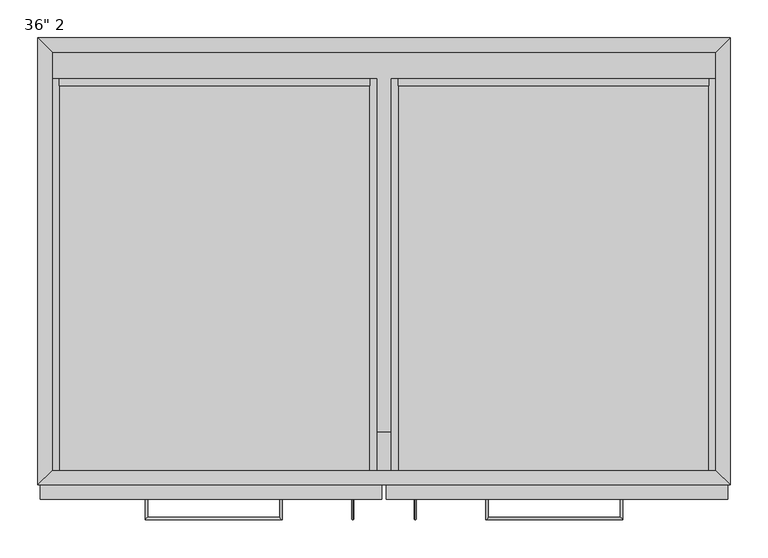
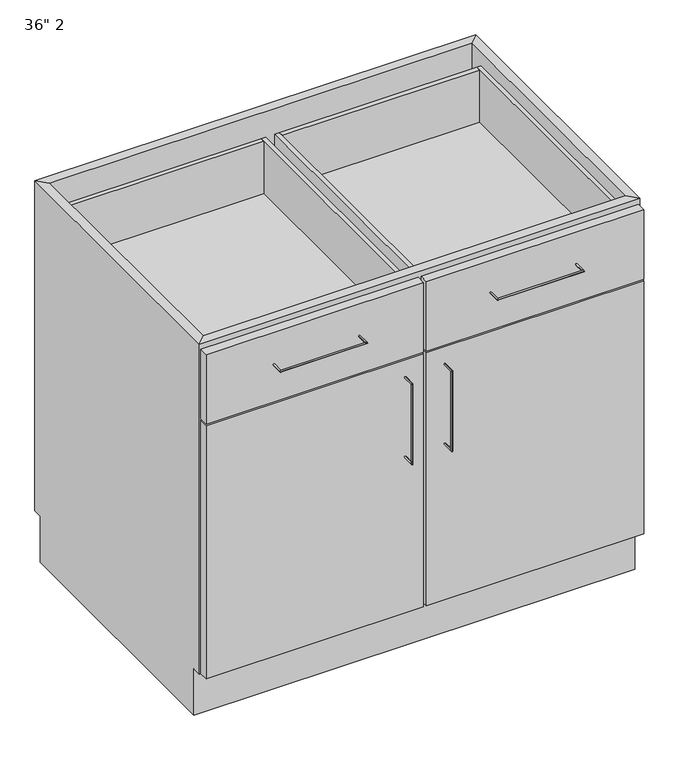
"""IFC4 building model written with IfcOpenShell, lengths in millimetres: furniture geometry."""

import ifcopenshell
import ifcopenshell.guid

model = None  # the IFC model being written
_history = None  # IfcOwnerHistory: only IFC2X3 demands one
_inside = {}  # id of a spatial element -> (the spatial element, [elements in it])
_under = {}  # id of a project, library or spatial element -> (it, [spatial elements below it])
_declared = {}  # id of a project -> (the project, [libraries it declares])
_typed = {}  # id of a type object -> (the type object, [elements of that type])
_made_of = {}  # id of a material, layer set ... -> (it, [elements and type objects made of it])


def new_model(schema):
    """Start an empty IFC model of exactly this schema.

    Asked for "IFC4X3", IfcOpenShell would pick the latest addendum, in which some entities
    have other attributes; the version numbers below select the first issue.
    IFC2X3 requires an IfcOwnerHistory on every rooted entity: one is made here for all.
    """
    global model, _history
    if schema == "IFC4X3":
        model = ifcopenshell.file(schema_version=(4, 3, 0, 0))
    else:
        model = ifcopenshell.file(schema=schema)
    _inside.clear()
    _under.clear()
    _declared.clear()
    _typed.clear()
    _made_of.clear()
    _history = None
    if model.schema == "IFC2X3":
        org = make("IfcOrganization", Name="unknown")
        user = make(
            "IfcPersonAndOrganization",
            ThePerson=make("IfcPerson", FamilyName="unknown"),
            TheOrganization=org,
        )
        app = make(
            "IfcApplication",
            ApplicationDeveloper=org,
            Version="unknown",
            ApplicationFullName="unknown",
            ApplicationIdentifier="unknown",
        )
        _history = make(
            "IfcOwnerHistory",
            OwningUser=user,
            OwningApplication=app,
            ChangeAction="ADDED",
            CreationDate=0,
        )
    return model


def make(cls, **values):
    """One entity of the class cls with the attributes given. An attribute that is None is left unset."""
    return model.create_entity(
        cls, **{name: value for name, value in values.items() if value is not None}
    )


def rooted(cls, **values):
    """An entity with a GlobalId (a new one), such as an element, a storey or a relation."""
    return make(cls, GlobalId=ifcopenshell.guid.new(), OwnerHistory=_history, **values)


def si_unit(unit_type, name, prefix=None):
    """IfcSIUnit, for example si_unit("LENGTHUNIT", "METRE", prefix="MILLI")."""
    return make("IfcSIUnit", UnitType=unit_type, Prefix=prefix, Name=name)


def assignment(units):
    """IfcUnitAssignment: the units of a project."""
    return None if units is None else make("IfcUnitAssignment", Units=units)


def point(xyz):
    """IfcCartesianPoint."""
    return None if xyz is None else make("IfcCartesianPoint", Coordinates=xyz)


def direction(xyz):
    """IfcDirection."""
    return None if xyz is None else make("IfcDirection", DirectionRatios=xyz)


def frame(location, z_axis=None, x_axis=None):
    """IfcAxis2Placement3D, a coordinate frame: its origin and axes. An axis left out is left unset."""
    return make(
        "IfcAxis2Placement3D",
        Location=point(location),
        Axis=direction(z_axis),
        RefDirection=direction(x_axis),
    )


def origin():
    """The frame at (0, 0, 0) with its axes left unset."""
    return frame((0.0, 0.0, 0.0))


def place(relative_to, where):
    """IfcLocalPlacement: puts the frame where relative to a parent placement (None: the world)."""
    return make(
        "IfcLocalPlacement", PlacementRelTo=relative_to, RelativePlacement=where
    )


def context(
    kind, dimensions, precision=None, world=None, true_north=None, identifier=None
):
    """IfcGeometricRepresentationContext, for example the 3D "Model" context."""
    return make(
        "IfcGeometricRepresentationContext",
        ContextIdentifier=identifier,
        ContextType=kind,
        CoordinateSpaceDimension=dimensions,
        Precision=precision,
        WorldCoordinateSystem=world,
        TrueNorth=true_north,
    )


def project(units=None, contexts=None):
    """IfcProject with its units and contexts."""
    return rooted(
        "IfcProject",
        Name="project",
        RepresentationContexts=contexts,
        UnitsInContext=assignment(units),
    )


def spatial(cls, under=None, at=None, **own):
    """A site, building, storey or space (cls), placed at a placement, below another one or the project."""
    s = rooted(cls, ObjectPlacement=at, **own)
    if under is not None:
        _under.setdefault(under.id(), (under, []))[1].append(s)
    return s


def polyline(points):
    """IfcPolyline through the points."""
    return make("IfcPolyline", Points=[point(p) for p in points])


def circle_curve(where, radius):
    """IfcCircle in the frame where."""
    return make("IfcCircle", Position=where, Radius=radius)


def ellipse_curve(where, semi_axis1, semi_axis2):
    """IfcEllipse in the frame where."""
    return make(
        "IfcEllipse", Position=where, SemiAxis1=semi_axis1, SemiAxis2=semi_axis2
    )


def outline(outer, holes=None, kind="AREA"):
    """IfcArbitraryClosedProfileDef: a profile drawn as a closed curve; with holes, ...WithVoids."""
    if holes is None:
        return make("IfcArbitraryClosedProfileDef", ProfileType=kind, OuterCurve=outer)
    return make(
        "IfcArbitraryProfileDefWithVoids",
        ProfileType=kind,
        OuterCurve=outer,
        InnerCurves=holes,
    )


def extrude(swept, where, along, depth):
    """IfcExtrudedAreaSolid: the profile swept, set in the frame where, extruded along a direction by depth."""
    return make(
        "IfcExtrudedAreaSolid",
        SweptArea=swept,
        Position=where,
        ExtrudedDirection=direction(along),
        Depth=depth,
    )


def faces_of(points, faces, orient=None, outer=None):
    """IfcFace entities. A face is a list of loops; a loop is a list of indices into points, from 0.

    orient and outer hold one flag for each loop. By default every Orientation is true, the
    first loop of a face is its IfcFaceOuterBound and the others are IfcFaceBound.
    """
    made = []
    for i, loops in enumerate(faces):
        bounds = []
        for j, loop in enumerate(loops):
            is_outer = j == 0 if outer is None else outer[i][j]
            bounds.append(
                make(
                    "IfcFaceOuterBound" if is_outer else "IfcFaceBound",
                    Bound=make("IfcPolyLoop", Polygon=[points[k] for k in loop]),
                    Orientation=True if orient is None else orient[i][j],
                )
            )
        made.append(make("IfcFace", Bounds=bounds))
    return made


def faceted_brep(points, faces, orient=None, outer=None, voids=None):
    """IfcFacetedBrep: a solid bounded by flat faces; with voids (closed shells), ...WithVoids."""
    shared = [point(p) for p in points]
    hull = make("IfcClosedShell", CfsFaces=faces_of(shared, faces, orient, outer))
    if voids is None:
        return make("IfcFacetedBrep", Outer=hull)
    return make(
        "IfcFacetedBrepWithVoids",
        Outer=hull,
        Voids=[
            make(cls, CfsFaces=faces_of(shared, fs, o, b)) for cls, fs, o, b in voids
        ],
    )


def shape(context_of_items, identifier, shape_type, items):
    """IfcShapeRepresentation: the items that make up one representation, for example the "Body"."""
    return make(
        "IfcShapeRepresentation",
        ContextOfItems=context_of_items,
        RepresentationIdentifier=identifier,
        RepresentationType=shape_type,
        Items=items,
    )


def source(mapping_origin, context_of_items, identifier, shape_type, items):
    """IfcRepresentationMap: a shape defined once, which mapped items show again and again."""
    return make(
        "IfcRepresentationMap",
        MappingOrigin=mapping_origin,
        MappedRepresentation=shape(context_of_items, identifier, shape_type, items),
    )


def transform(
    local_origin,
    x_axis=None,
    y_axis=None,
    z_axis=None,
    scale=None,
    scale2=None,
    scale3=None,
    uniform=True,
):
    """IfcCartesianTransformationOperator3D, or its non-uniform kind. x_axis, y_axis, z_axis: its Axis1, 2, 3."""
    if uniform:
        return make(
            "IfcCartesianTransformationOperator3D",
            Axis1=direction(x_axis),
            Axis2=direction(y_axis),
            LocalOrigin=point(local_origin),
            Scale=scale,
            Axis3=direction(z_axis),
        )
    return make(
        "IfcCartesianTransformationOperator3DnonUniform",
        Axis1=direction(x_axis),
        Axis2=direction(y_axis),
        LocalOrigin=point(local_origin),
        Scale=scale,
        Axis3=direction(z_axis),
        Scale2=scale2,
        Scale3=scale3,
    )


def mapped(mapping_source, mapping_target):
    """IfcMappedItem: shows the shape of a source again, moved by a transform."""
    return make(
        "IfcMappedItem", MappingSource=mapping_source, MappingTarget=mapping_target
    )


def made_of(thing, what):
    """Note that an element or type object is made of a material, layer set ...; save() writes the relation."""
    if what is not None:
        _made_of.setdefault(what.id(), (what, []))[1].append(thing)
    return thing


def element(
    cls,
    number,
    at=None,
    inside=None,
    cuts=None,
    type_object=None,
    material=None,
    context=None,
    identifier="Body",
    shape_type=None,
    held_by="IfcProductDefinitionShape",
    body=None,
    shapes=None,
    **own,
):
    """One element of the class cls, such as IfcWall. Its Tag is "e" and its number.

    at: its placement. inside: the storey or other place that contains it. cuts: it is an
    opening in that element (IfcRelVoidsElement). A single representation is given by context,
    identifier, shape_type and body (its items); several are given by shapes. held_by: the class
    of the entity that holds the representations. save() writes the other relations.
    """
    e = rooted(cls, Tag="e%d" % number, ObjectPlacement=at, **own)
    if body is not None:
        shapes = [shape(context, identifier, shape_type, body)]
    if shapes is not None:
        e.Representation = make(held_by, Representations=shapes)
    if inside is not None:
        _inside.setdefault(inside.id(), (inside, []))[1].append(e)
    if cuts is not None:
        rooted(
            "IfcRelVoidsElement", RelatingBuildingElement=cuts, RelatedOpeningElement=e
        )
    if type_object is not None:
        _typed.setdefault(type_object.id(), (type_object, []))[1].append(e)
    return made_of(e, material)


def aggregate(whole, parts):
    """IfcRelAggregates: a whole, such as a stair, and the parts it consists of."""
    return rooted("IfcRelAggregates", RelatingObject=whole, RelatedObjects=parts)


def save(model, path):
    """Write the relations noted so far, then the file.

    IfcRelAggregates (storeys below a building ...), IfcRelContainedInSpatialStructure (elements
    in a storey), IfcRelDefinesByType, IfcRelAssociatesMaterial and IfcRelDeclares: one each for
    every whole, place, type object, material and project.
    """
    for whole, parts in _under.values():
        aggregate(whole, parts)
    for where, things in _inside.values():
        rooted(
            "IfcRelContainedInSpatialStructure",
            RelatedElements=things,
            RelatingStructure=where,
        )
    for kind, things in _typed.values():
        rooted("IfcRelDefinesByType", RelatedObjects=things, RelatingType=kind)
    for what, things in _made_of.values():
        rooted("IfcRelAssociatesMaterial", RelatedObjects=things, RelatingMaterial=what)
    for by, libraries in _declared.values():
        rooted("IfcRelDeclares", RelatingContext=by, RelatedDefinitions=libraries)
    model.write(path)


def plane_surface(at):
    """IfcPlane: the flat surface through the origin of the frame at, square to its z axis."""
    return make("IfcPlane", Position=at)


def cylinder_surface(at, radius):
    """IfcCylindricalSurface: all points at the distance radius from the z axis of the frame at."""
    return make("IfcCylindricalSurface", Position=at, Radius=radius)


def advanced_brep(points, edges, surfaces, faces):
    """IfcAdvancedBrep: a solid bounded by faces that lie on surfaces and meet in shared edges.

    An edge is (start, end): straight between two places in points (the first is 0);
    or (start, end, curve); or (start, end, curve, False) where it runs against its curve.
    A face is (place in surfaces, loops), or (place, loops, False) where it looks against
    its surface's normal. A loop lists edges by number (the first is 1), with a minus sign
    where the edge is run from its end to its start. The first loop is the outer one.
    """
    corners = [point(p) for p in points]
    vertices = [make("IfcVertexPoint", VertexGeometry=c) for c in corners]
    made = []
    for start, end, *more in edges:
        made.append(
            make(
                "IfcEdgeCurve",
                EdgeStart=vertices[start],
                EdgeEnd=vertices[end],
                EdgeGeometry=more[0] if more else make("IfcPolyline", Points=[corners[start], corners[end]]),
                SameSense=more[1] if len(more) > 1 else True,
            )
        )
    hull = []
    for where, loops, *sense in faces:
        bounds = []
        for j, loop in enumerate(loops):
            ring = [make("IfcOrientedEdge", EdgeElement=made[abs(k) - 1], Orientation=k > 0) for k in loop]
            bounds.append(
                make(
                    "IfcFaceOuterBound" if j == 0 else "IfcFaceBound",
                    Bound=make("IfcEdgeLoop", EdgeList=ring),
                    Orientation=True,
                )
            )
        hull.append(make("IfcAdvancedFace", Bounds=bounds, FaceSurface=surfaces[where], SameSense=sense[0] if sense else True))
    return make("IfcAdvancedBrep", Outer=make("IfcClosedShell", CfsFaces=hull))


def furniture_b0516ae4(model_context):
    return source(origin(), model_context, "Body", "SolidModel", [
        extrude(outline(polyline([(-419.4122951, -520.7), (456.8877049, -520.7), (456.8877049, -571.5), (-419.4122951, -571.5), (-419.4122951, -520.7)])), frame((0.0, 0.0, 654.05), z_axis=(0.0, 0.0, 1.0), x_axis=(1.0, 0.0, 0.0)), (0.0, 0.0, 1.0), 19.05),
        extrude(outline(polyline([(456.8877049, -19.05), (456.8877049, -571.5), (-419.4122951, -571.5), (-419.4122951, -19.05), (456.8877049, -19.05)])), frame((0.0, 0.0, 101.6), z_axis=(0.0, 0.0, 1.0), x_axis=(1.0, 0.0, 0.0)), (0.0, 0.0, 1.0), 19.05),
        extrude(outline(polyline([(15.5627049, -609.6), (-435.2872951, -609.6), (-435.2872951, -590.55), (15.5627049, -590.55), (15.5627049, -609.6)])), frame((0.0, 0.0, 660.4), z_axis=(0.0, 0.0, 1.0), x_axis=(1.0, 0.0, 0.0)), (0.0, 0.0, 1.0), 152.4),
        extrude(outline(polyline([(472.7627049, -609.6), (21.9127049, -609.6), (21.9127049, -590.55), (472.7627049, -590.55), (472.7627049, -609.6)])), frame((0.0, 0.0, 660.4), z_axis=(0.0, 0.0, 1.0), x_axis=(1.0, 0.0, 0.0)), (0.0, 0.0, 1.0), 152.4),
        extrude(outline(polyline([(15.5627049, -609.6), (-435.2872951, -609.6), (-435.2872951, -590.55), (15.5627049, -590.55), (15.5627049, -609.6)])), frame((0.0, 0.0, 101.6), z_axis=(0.0, 0.0, 1.0), x_axis=(1.0, 0.0, 0.0)), (0.0, 0.0, 1.0), 555.625),
        extrude(outline(polyline([(472.7627049, -609.6), (21.9127049, -609.6), (21.9127049, -590.55), (472.7627049, -590.55), (472.7627049, -609.6)])), frame((0.0, 0.0, 101.6), z_axis=(0.0, 0.0, 1.0), x_axis=(1.0, 0.0, 0.0)), (0.0, 0.0, 1.0), 555.625),
        advanced_brep(
        [(-118.9787451, -609.6, 742.7699324), (-115.8037451, -609.6, 742.7699324), (-118.9787451, -633.4125, 742.7699324), (-115.8037451, -636.5875, 742.7699324), (-293.6037451, -633.4125, 742.7699324), (-296.7787451, -636.5875, 742.7699324), (-293.6037451, -609.6, 742.7699324), (-296.7787451, -609.6, 742.7699324)],
        [
            (0, 1, circle_curve(frame((-117.3912451, -609.6, 742.7699324), z_axis=(0.0, 1.0, 0.0), x_axis=(1.0, 0.0, 0.0)), 1.5875)),
            (1, 0, circle_curve(frame((-117.3912451, -609.6, 742.7699324), z_axis=(0.0, 1.0, 0.0), x_axis=(1.0, 0.0, 0.0)), 1.5875)),
            (0, 2),
            (2, 3, ellipse_curve(frame((-117.3912451, -635.0, 742.7699324), z_axis=(0.7071067811865475, 0.7071067811865475, 0.0), x_axis=(-0.7071067811865474, 0.7071067811865476, 0.0)), 2.245064, 1.5875)),
            (3, 1),
            (3, 2, ellipse_curve(frame((-117.3912451, -635.0, 742.7699324), z_axis=(0.7071067811865475, 0.7071067811865475, 0.0), x_axis=(-0.7071067811865474, 0.7071067811865476, 0.0)), 2.245064, 1.5875)),
            (2, 4),
            (4, 5, ellipse_curve(frame((-295.1912451, -635.0, 742.7699324), z_axis=(0.7071067811865475, -0.7071067811865475, 0.0), x_axis=(0.7071067811865476, 0.7071067811865474, 0.0)), 2.245064, 1.5875)),
            (5, 3),
            (5, 4, ellipse_curve(frame((-295.1912451, -635.0, 742.7699324), z_axis=(0.7071067811865475, -0.7071067811865475, 0.0), x_axis=(0.7071067811865476, 0.7071067811865474, 0.0)), 2.245064, 1.5875)),
            (6, 7, circle_curve(frame((-295.1912451, -609.6, 742.7699324), z_axis=(0.0, 1.0, 0.0), x_axis=(-1.0, 0.0, 0.0)), 1.5875)),
            (7, 6, circle_curve(frame((-295.1912451, -609.6, 742.7699324), z_axis=(0.0, 1.0, 0.0), x_axis=(-1.0, 0.0, 0.0)), 1.5875)),
            (4, 6),
            (7, 5),
        ],
        [
            plane_surface(frame((-117.3912451, -609.6, 742.7699324), z_axis=(0.0, 1.0, 0.0), x_axis=(0.0, 0.0, 1.0))),
            cylinder_surface(frame((-117.3912451, -609.6, 742.7699324), z_axis=(0.0, 1.0, 0.0), x_axis=(1.0, 0.0, 0.0)), 1.5875),
            cylinder_surface(frame((-117.3912451, -635.0, 742.7699324), z_axis=(1.0, 0.0, 0.0), x_axis=(0.0, -1.0, 0.0)), 1.5875),
            plane_surface(frame((-295.1912451, -609.6, 742.7699324), z_axis=(0.0, 1.0, 0.0), x_axis=(0.0, 0.0, 1.0))),
            cylinder_surface(frame((-295.1912451, -635.0, 742.7699324), z_axis=(0.0, -1.0, 0.0), x_axis=(-1.0, 0.0, 0.0)), 1.5875),
        ],
        [
            (0, [[1, 2]]),
            (1, [[-1, 3, 4, 5]]),
            (1, [[-2, -5, 6, -3]]),
            (2, [[-4, 7, 8, 9]]),
            (2, [[-6, -9, 10, -7]]),
            (3, [[11, 12]]),
            (4, [[-8, 13, -12, 14]]),
            (4, [[-10, -14, -11, -13]]),
        ],
    ),
        advanced_brep(
        [(153.2791549, -609.6, 742.7699324), (156.4541549, -609.6, 742.7699324), (153.2791549, -636.5875, 742.7699324), (156.4541549, -633.4125, 742.7699324), (334.2541549, -636.5875, 742.7699324), (331.0791549, -633.4125, 742.7699324), (334.2541549, -609.6, 742.7699324), (331.0791549, -609.6, 742.7699324)],
        [
            (0, 1, circle_curve(frame((154.8666549, -609.6, 742.7699324), z_axis=(0.0, 1.0, 0.0), x_axis=(1.0, 0.0, 0.0)), 1.5875)),
            (1, 0, circle_curve(frame((154.8666549, -609.6, 742.7699324), z_axis=(0.0, 1.0, 0.0), x_axis=(1.0, 0.0, 0.0)), 1.5875)),
            (0, 2),
            (2, 3, ellipse_curve(frame((154.8666549, -635.0, 742.7699324), z_axis=(-0.7071067811865475, 0.7071067811865475, 0.0), x_axis=(0.7071067811865474, 0.7071067811865476, 0.0)), 2.245064, 1.5875)),
            (3, 1),
            (3, 2, ellipse_curve(frame((154.8666549, -635.0, 742.7699324), z_axis=(-0.7071067811865475, 0.7071067811865475, 0.0), x_axis=(0.7071067811865474, 0.7071067811865476, 0.0)), 2.245064, 1.5875)),
            (2, 4),
            (4, 5, ellipse_curve(frame((332.6666549, -635.0, 742.7699324), z_axis=(-0.7071067811865475, -0.7071067811865475, 0.0), x_axis=(-0.7071067811865476, 0.7071067811865474, 0.0)), 2.245064, 1.5875)),
            (5, 3),
            (5, 4, ellipse_curve(frame((332.6666549, -635.0, 742.7699324), z_axis=(-0.7071067811865475, -0.7071067811865475, 0.0), x_axis=(-0.7071067811865476, 0.7071067811865474, 0.0)), 2.245064, 1.5875)),
            (6, 7, circle_curve(frame((332.6666549, -609.6, 742.7699324), z_axis=(0.0, 1.0, 0.0), x_axis=(-1.0, 0.0, 0.0)), 1.5875)),
            (7, 6, circle_curve(frame((332.6666549, -609.6, 742.7699324), z_axis=(0.0, 1.0, 0.0), x_axis=(-1.0, 0.0, 0.0)), 1.5875)),
            (4, 6),
            (7, 5),
        ],
        [
            plane_surface(frame((154.8666549, -609.6, 742.7699324), z_axis=(0.0, 1.0, 0.0), x_axis=(0.0, 0.0, 1.0))),
            cylinder_surface(frame((154.8666549, -609.6, 742.7699324), z_axis=(0.0, 1.0, 0.0), x_axis=(1.0, 0.0, 0.0)), 1.5875),
            cylinder_surface(frame((154.8666549, -635.0, 742.7699324), z_axis=(-1.0, 0.0, 0.0), x_axis=(0.0, 1.0, 0.0)), 1.5875),
            plane_surface(frame((332.6666549, -609.6, 742.7699324), z_axis=(0.0, 1.0, 0.0), x_axis=(0.0, 0.0, 1.0))),
            cylinder_surface(frame((332.6666549, -635.0, 742.7699324), z_axis=(0.0, -1.0, 0.0), x_axis=(-1.0, 0.0, 0.0)), 1.5875),
        ],
        [
            (0, [[1, 2]]),
            (1, [[-1, 3, 4, 5]]),
            (1, [[-2, -5, 6, -3]]),
            (2, [[-4, 7, 8, 9]]),
            (2, [[-6, -9, 10, -7]]),
            (3, [[11, 12]]),
            (4, [[-8, 13, -12, 14]]),
            (4, [[-10, -14, -11, -13]]),
        ],
    ),
        advanced_brep(
        [(-22.5139911, -609.6, 617.5375), (-22.5139911, -609.6, 620.7125), (-22.5139911, -633.4125, 617.5375), (-22.5139911, -636.5875, 620.7125), (-22.5139911, -633.4125, 446.0875), (-22.5139911, -636.5875, 442.9125), (-22.5139911, -609.6, 446.0875), (-22.5139911, -609.6, 442.9125)],
        [
            (0, 1, circle_curve(frame((-22.5139911, -609.6, 619.125), z_axis=(0.0, 1.0, 0.0), x_axis=(0.0, 0.0, 1.0)), 1.5875)),
            (1, 0, circle_curve(frame((-22.5139911, -609.6, 619.125), z_axis=(0.0, 1.0, 0.0), x_axis=(0.0, 0.0, 1.0)), 1.5875)),
            (0, 2),
            (2, 3, ellipse_curve(frame((-22.5139911, -635.0, 619.125), z_axis=(0.0, 0.7071067811865475, 0.7071067811865475), x_axis=(0.0, 0.7071067811865476, -0.7071067811865474)), 2.245064, 1.5875)),
            (3, 1),
            (3, 2, ellipse_curve(frame((-22.5139911, -635.0, 619.125), z_axis=(0.0, 0.7071067811865475, 0.7071067811865475), x_axis=(0.0, 0.7071067811865476, -0.7071067811865474)), 2.245064, 1.5875)),
            (2, 4),
            (4, 5, ellipse_curve(frame((-22.5139911, -635.0, 444.5), z_axis=(0.0, -0.7071067811865475, 0.7071067811865475), x_axis=(0.0, 0.7071067811865474, 0.7071067811865476)), 2.245064, 1.5875)),
            (5, 3),
            (5, 4, ellipse_curve(frame((-22.5139911, -635.0, 444.5), z_axis=(0.0, -0.7071067811865475, 0.7071067811865475), x_axis=(0.0, 0.7071067811865474, 0.7071067811865476)), 2.245064, 1.5875)),
            (6, 7, circle_curve(frame((-22.5139911, -609.6, 444.5), z_axis=(0.0, 1.0, 0.0), x_axis=(0.0, 0.0, -1.0)), 1.5875)),
            (7, 6, circle_curve(frame((-22.5139911, -609.6, 444.5), z_axis=(0.0, 1.0, 0.0), x_axis=(0.0, 0.0, -1.0)), 1.5875)),
            (4, 6),
            (7, 5),
        ],
        [
            plane_surface(frame((-22.5139911, -609.6, 619.125), z_axis=(0.0, 1.0, 0.0), x_axis=(-1.0, 0.0, 0.0))),
            cylinder_surface(frame((-22.5139911, -609.6, 619.125), z_axis=(0.0, 1.0, 0.0), x_axis=(0.0, 0.0, 1.0)), 1.5875),
            cylinder_surface(frame((-22.5139911, -635.0, 619.125), z_axis=(0.0, 0.0, 1.0), x_axis=(0.0, -1.0, 0.0)), 1.5875),
            plane_surface(frame((-22.5139911, -609.6, 444.5), z_axis=(0.0, 1.0, 0.0), x_axis=(-1.0, 0.0, 0.0))),
            cylinder_surface(frame((-22.5139911, -635.0, 444.5), z_axis=(0.0, -1.0, 0.0), x_axis=(0.0, 0.0, -1.0)), 1.5875),
        ],
        [
            (0, [[1, 2]]),
            (1, [[-1, 3, 4, 5]]),
            (1, [[-2, -5, 6, -3]]),
            (2, [[-4, 7, 8, 9]]),
            (2, [[-6, -9, 10, -7]]),
            (3, [[11, 12]]),
            (4, [[-8, 13, -12, 14]]),
            (4, [[-10, -14, -11, -13]]),
        ],
    ),
        advanced_brep(
        [(59.9894009, -609.6, 620.7125), (59.9894009, -609.6, 617.5375), (59.9894009, -636.5875, 620.7125), (59.9894009, -633.4125, 617.5375), (59.9894009, -636.5875, 442.9125), (59.9894009, -633.4125, 446.0875), (59.9894009, -609.6, 442.9125), (59.9894009, -609.6, 446.0875)],
        [
            (0, 1, circle_curve(frame((59.9894009, -609.6, 619.125), z_axis=(0.0, 1.0, 0.0), x_axis=(0.0, 0.0, -1.0)), 1.5875)),
            (1, 0, circle_curve(frame((59.9894009, -609.6, 619.125), z_axis=(0.0, 1.0, 0.0), x_axis=(0.0, 0.0, -1.0)), 1.5875)),
            (0, 2),
            (2, 3, ellipse_curve(frame((59.9894009, -635.0, 619.125), z_axis=(0.0, 0.7071067811865475, 0.7071067811865475), x_axis=(0.0, 0.7071067811865476, -0.7071067811865474)), 2.245064, 1.5875)),
            (3, 1),
            (3, 2, ellipse_curve(frame((59.9894009, -635.0, 619.125), z_axis=(0.0, 0.7071067811865475, 0.7071067811865475), x_axis=(0.0, 0.7071067811865476, -0.7071067811865474)), 2.245064, 1.5875)),
            (2, 4),
            (4, 5, ellipse_curve(frame((59.9894009, -635.0, 444.5), z_axis=(0.0, -0.7071067811865475, 0.7071067811865475), x_axis=(0.0, 0.7071067811865474, 0.7071067811865476)), 2.245064, 1.5875)),
            (5, 3),
            (5, 4, ellipse_curve(frame((59.9894009, -635.0, 444.5), z_axis=(0.0, -0.7071067811865475, 0.7071067811865475), x_axis=(0.0, 0.7071067811865474, 0.7071067811865476)), 2.245064, 1.5875)),
            (6, 7, circle_curve(frame((59.9894009, -609.6, 444.5), z_axis=(0.0, 1.0, 0.0), x_axis=(0.0, 0.0, 1.0)), 1.5875)),
            (7, 6, circle_curve(frame((59.9894009, -609.6, 444.5), z_axis=(0.0, 1.0, 0.0), x_axis=(0.0, 0.0, 1.0)), 1.5875)),
            (4, 6),
            (7, 5),
        ],
        [
            plane_surface(frame((59.9894009, -609.6, 619.125), z_axis=(0.0, 1.0, 0.0), x_axis=(1.0, 0.0, 0.0))),
            cylinder_surface(frame((59.9894009, -609.6, 619.125), z_axis=(0.0, 1.0, 0.0), x_axis=(0.0, 0.0, -1.0)), 1.5875),
            cylinder_surface(frame((59.9894009, -635.0, 619.125), z_axis=(0.0, 0.0, 1.0), x_axis=(0.0, 1.0, 0.0)), 1.5875),
            plane_surface(frame((59.9894009, -609.6, 444.5), z_axis=(0.0, 1.0, 0.0), x_axis=(1.0, 0.0, 0.0))),
            cylinder_surface(frame((59.9894009, -635.0, 444.5), z_axis=(0.0, -1.0, 0.0), x_axis=(0.0, 0.0, 1.0)), 1.5875),
        ],
        [
            (0, [[1, 2]]),
            (1, [[-1, 3, 4, 5]]),
            (1, [[-2, -5, 6, -3]]),
            (2, [[-4, 7, 8, 9]]),
            (2, [[-6, -9, 10, -7]]),
            (3, [[11, 12]]),
            (4, [[-8, 13, -12, 14]]),
            (4, [[-10, -14, -11, -13]]),
        ],
    ),
        faceted_brep([(456.8877049, -571.5, 101.6), (-419.4122951, -571.5, 101.6), (-419.4122951, -571.5, 120.65), (9.2127049, -571.5, 120.65), (9.2127049, -571.5, 650.875), (-419.4122951, -571.5, 650.875), (-419.4122951, -571.5, 666.75), (9.2127049, -571.5, 666.75), (9.2127049, -571.5, 806.45), (-419.4122951, -571.5, 806.45), (-419.4122951, -571.5, 825.5), (456.8877049, -571.5, 825.5), (456.8877049, -571.5, 806.45), (28.2627049, -571.5, 806.45), (28.2627049, -571.5, 666.75), (456.8877049, -571.5, 666.75), (456.8877049, -571.5, 650.875), (28.2627049, -571.5, 650.875), (28.2627049, -571.5, 120.65), (456.8877049, -571.5, 120.65), (-438.4622951, -590.55, 825.5), (475.9377049, -590.55, 825.5), (-438.4622951, -590.55, 101.6), (475.9377049, -590.55, 101.6), (28.2627049, -590.55, 666.75), (28.2627049, -590.55, 806.45), (456.8877049, -590.55, 806.45), (456.8877049, -590.55, 666.75), (-419.4122951, -590.55, 666.75), (-419.4122951, -590.55, 806.45), (9.2127049, -590.55, 806.45), (9.2127049, -590.55, 666.75), (28.2627049, -590.55, 120.65), (28.2627049, -590.55, 650.875), (456.8877049, -590.55, 650.875), (456.8877049, -590.55, 120.65), (-419.4122951, -590.55, 120.65), (-419.4122951, -590.55, 650.875), (9.2127049, -590.55, 650.875), (9.2127049, -590.55, 120.65), (-419.4122951, -19.05, 101.6), (-419.4122951, -19.05, 825.5), (-438.4622951, 0.0, 825.5), (-438.4622951, 0.0, 101.6), (-438.4622951, -19.05, 101.6), (-438.4622951, -19.05, 0.0), (-438.4622951, -571.5, 0.0), (-438.4622951, -571.5, 101.6), (456.8877049, -19.05, 101.6), (456.8877049, -19.05, 825.5), (475.9377049, 0.0, 825.5), (475.9377049, 0.0, 101.6), (475.9377049, -571.5, 101.6), (475.9377049, -571.5, 0.0), (475.9377049, -19.05, 0.0), (475.9377049, -19.05, 101.6)], [[[0, 1, 2, 3, 4, 5, 6, 7, 8, 9, 10, 11, 12, 13, 14, 15, 16, 17, 18, 19]], [[11, 10, 20, 21]], [[21, 20, 22, 23], [24, 25, 26, 27], [28, 29, 30, 31], [32, 33, 34, 35], [36, 37, 38, 39]], [[1, 0, 23, 22]], [[40, 41, 10, 9, 29, 28, 6, 5, 37, 36, 2, 1]], [[20, 10, 41, 42]], [[22, 20, 42, 43, 44, 45, 46, 47]], [[1, 22, 47]], [[43, 40, 44]], [[41, 40, 48, 49]], [[42, 41, 49, 50]], [[43, 42, 50, 51]], [[40, 43, 51, 48]], [[49, 48, 0, 19, 35, 34, 16, 15, 27, 26, 12, 11]], [[11, 21, 50, 49]], [[21, 23, 52, 53, 54, 55, 51, 50]], [[23, 0, 52]], [[48, 51, 55]], [[1, 0, 48, 40]], [[54, 53, 46, 45]], [[54, 45, 44, 40, 48, 55]], [[46, 53, 52, 0, 1, 47]], [[24, 14, 13, 25]], [[14, 24, 27, 15]], [[25, 13, 12, 26]], [[6, 28, 31, 7]], [[7, 31, 30, 8]], [[29, 9, 8, 30]], [[32, 18, 17, 33]], [[18, 32, 35, 19]], [[33, 17, 16, 34]], [[2, 36, 39, 3]], [[3, 39, 38, 4]], [[37, 5, 4, 38]]]),
        extrude(outline(polyline([(456.8877049, -19.05), (456.8877049, -587.375), (-419.4122951, -587.375), (-419.4122951, -19.05), (456.8877049, -19.05)])), frame((0.0, 0.0, 477.8037229), z_axis=(0.0, 0.0, 1.0), x_axis=(1.0, 0.0, 0.0)), (0.0, 0.0, 1.0), 19.05),
        extrude(outline(polyline([(456.8877049, -19.05), (456.8877049, -587.375), (-419.4122951, -587.375), (-419.4122951, -19.05), (456.8877049, -19.05)])), frame((0.0, 0.0, 300.0037229), z_axis=(0.0, 0.0, 1.0), x_axis=(1.0, 0.0, 0.0)), (0.0, 0.0, 1.0), 19.05),
        extrude(outline(polyline([(447.3627049, -53.975), (447.3627049, -63.5), (37.7877049, -63.5), (37.7877049, -53.975), (447.3627049, -53.975)])), frame((0.0, 0.0, 682.625), z_axis=(0.0, 0.0, 1.0), x_axis=(1.0, 0.0, 0.0)), (0.0, 0.0, 1.0), 114.3),
        extrude(outline(polyline([(-0.3122951, -53.975), (-0.3122951, -63.5), (-409.8872951, -63.5), (-409.8872951, -53.975), (-0.3122951, -53.975)])), frame((0.0, 0.0, 682.625), z_axis=(0.0, 0.0, 1.0), x_axis=(1.0, 0.0, 0.0)), (0.0, 0.0, 1.0), 114.3),
        extrude(outline(polyline([(673.1, 28.2627049), (673.1, 456.8877049), (796.925, 456.8877049), (796.925, 447.3627049), (682.625, 447.3627049), (682.625, 37.7877049), (796.925, 37.7877049), (796.925, 28.2627049), (673.1, 28.2627049)])), frame((0.0, -590.55, 0.0), z_axis=(0.0, 1.0, 0.0), x_axis=(0.0, 0.0, 1.0)), (0.0, 0.0, 1.0), 536.575),
        extrude(outline(polyline([(673.1, -419.4122951), (673.1, 9.2127049), (796.925, 9.2127049), (796.925, -0.3122951), (682.625, -0.3122951), (682.625, -409.8872951), (796.925, -409.8872951), (796.925, -419.4122951), (673.1, -419.4122951)])), frame((0.0, -590.55, 0.0), z_axis=(0.0, 1.0, 0.0), x_axis=(0.0, 0.0, 1.0)), (0.0, 0.0, 1.0), 536.575),
    ])


if __name__ == "__main__":
    model = new_model("IFC4")
    model_context = context("Model", 3, world=origin())
    ifc_project = project(units=[si_unit("LENGTHUNIT", "METRE", prefix="MILLI")], contexts=[model_context])
    site = spatial("IfcSite", under=ifc_project)
    building = spatial("IfcBuilding", under=site)
    placement = place(None, origin())
    furniture_shape = furniture_b0516ae4(model_context)
    element("IfcFurniture", 1, ObjectType="36\" 2", at=placement, inside=building, context=model_context, shape_type="MappedRepresentation", body=[
        mapped(furniture_shape, transform((0.0, 0.0, 0.0), x_axis=(1.0, 0.0, 0.0), y_axis=(0.0, 1.0, 0.0), z_axis=(0.0, 0.0, 1.0))),
    ])
    save(model, "model.ifc")
